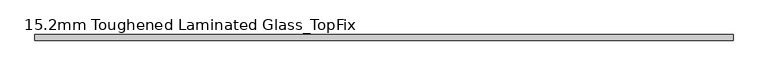
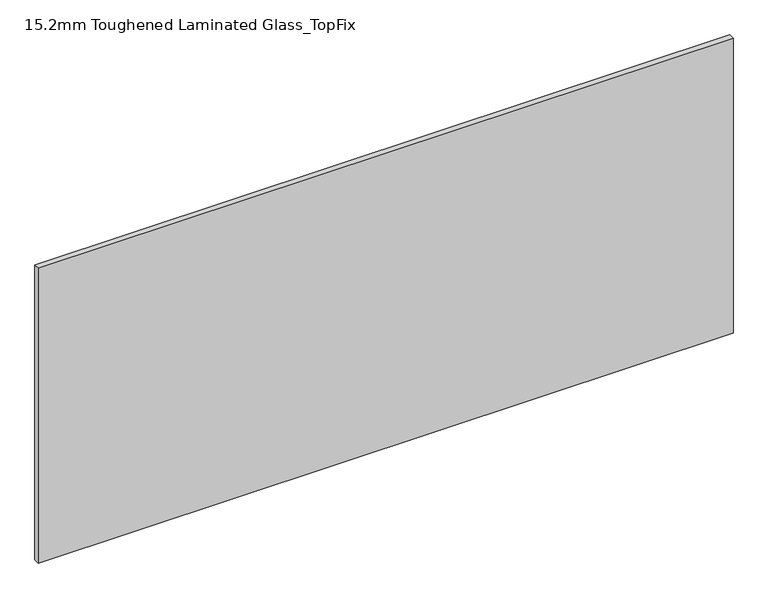
"""IFC4 building model written with IfcOpenShell, lengths in millimetres: plate geometry, 15.2mm Toughened Laminated Glass_TopFix."""

from ifc_helpers import new_model, si_unit, origin, origin_with_axes, place, context, project, spatial, polyline, outline, extrude, source, transform, mapped, element, save


def plate_15_2mm_toughened_laminated_glass_topfix_e69a129b(model_context):
    return source(origin(), model_context, "Body", "SweptSolid", [
        extrude(outline(polyline([(945.0000001, 7.6), (945.0000001, -7.6), (-945.0000001, -7.6), (-945.0000001, 7.6), (945.0000001, 7.6)])), origin_with_axes(), (0.0, 0.0, 1.0), 849.0),
    ])


if __name__ == "__main__":
    model = new_model("IFC4")
    model_context = context("Model", 3, world=origin())
    ifc_project = project(units=[si_unit("LENGTHUNIT", "METRE", prefix="MILLI")], contexts=[model_context])
    site = spatial("IfcSite", under=ifc_project)
    building = spatial("IfcBuilding", under=site)
    placement = place(None, origin())
    plate_15_2mm_toughened_laminated_glass_topfix_shape = plate_15_2mm_toughened_laminated_glass_topfix_e69a129b(model_context)
    element("IfcPlate", 1, ObjectType="15.2mm Toughened Laminated Glass_TopFix", at=placement, inside=building, context=model_context, shape_type="MappedRepresentation", body=[
        mapped(plate_15_2mm_toughened_laminated_glass_topfix_shape, transform((0.0, 0.0, 0.0), x_axis=(1.0, 0.0, 0.0), y_axis=(0.0, 1.0, 0.0), z_axis=(0.0, 0.0, 1.0))),
    ])
    save(model, "model.ifc")
